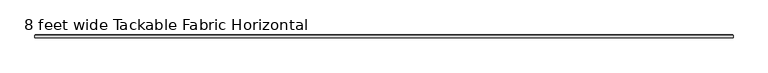
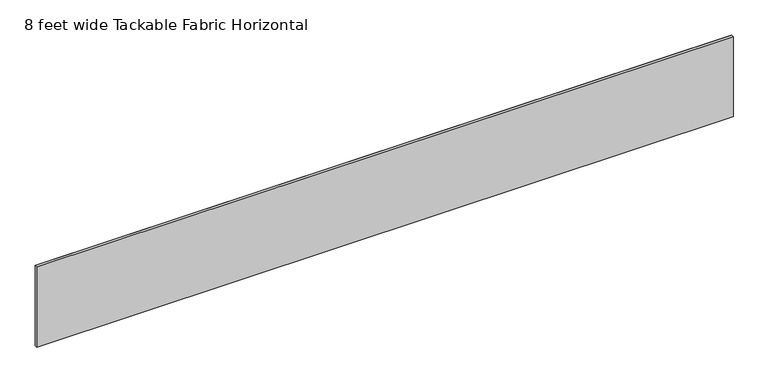
"""IFC4 building model written with IfcOpenShell, lengths in millimetres: furniture geometry, 8 feet wide Tackable Fabric Horizontal."""

from ifc_helpers import new_model, si_unit, frame, origin, place, context, project, spatial, polyline, outline, extrude, source, transform, mapped, element, save


def furniture_8_feet_wide_tackable_fabric_horizontal_79f8b46e(model_context):
    return source(origin(), model_context, "Body", "SweptSolid", [
        extrude(outline(polyline([(2437.1553812, -29.6230033), (1.2446043, -29.6230033), (1.2446043, -21.1140046), (2437.1553812, -21.1140046), (2437.1553812, -29.6230033)])), frame((0.0, 0.0, 744.3779652), z_axis=(0.0, 0.0, 1.0), x_axis=(1.0, 0.0, 0.0)), (0.0, 0.0, 1.0), 297.0200243),
        extrude(outline(polyline([(2436.647418, -21.1140046), (1.7526043, -21.1140046), (1.7526043, -19.585001), (2436.647418, -19.585001), (2436.647418, -21.1140046)])), frame((0.0, 0.0, 744.886001), z_axis=(0.0, 0.0, 1.0), x_axis=(1.0, 0.0, 0.0)), (0.0, 0.0, 1.0), 296.0040253),
    ])


if __name__ == "__main__":
    model = new_model("IFC4")
    model_context = context("Model", 3, world=origin())
    ifc_project = project(units=[si_unit("LENGTHUNIT", "METRE", prefix="MILLI")], contexts=[model_context])
    site = spatial("IfcSite", under=ifc_project)
    building = spatial("IfcBuilding", under=site)
    placement = place(None, origin())
    furniture_8_feet_wide_tackable_fabric_horizontal_shape = furniture_8_feet_wide_tackable_fabric_horizontal_79f8b46e(model_context)
    element("IfcFurniture", 1, ObjectType="8 feet wide Tackable Fabric Horizontal", at=placement, inside=building, context=model_context, shape_type="MappedRepresentation", body=[
        mapped(furniture_8_feet_wide_tackable_fabric_horizontal_shape, transform((0.0, 0.0, 0.0), x_axis=(1.0, 0.0, 0.0), y_axis=(0.0, 1.0, 0.0), z_axis=(0.0, 0.0, 1.0))),
    ])
    save(model, "model.ifc")
